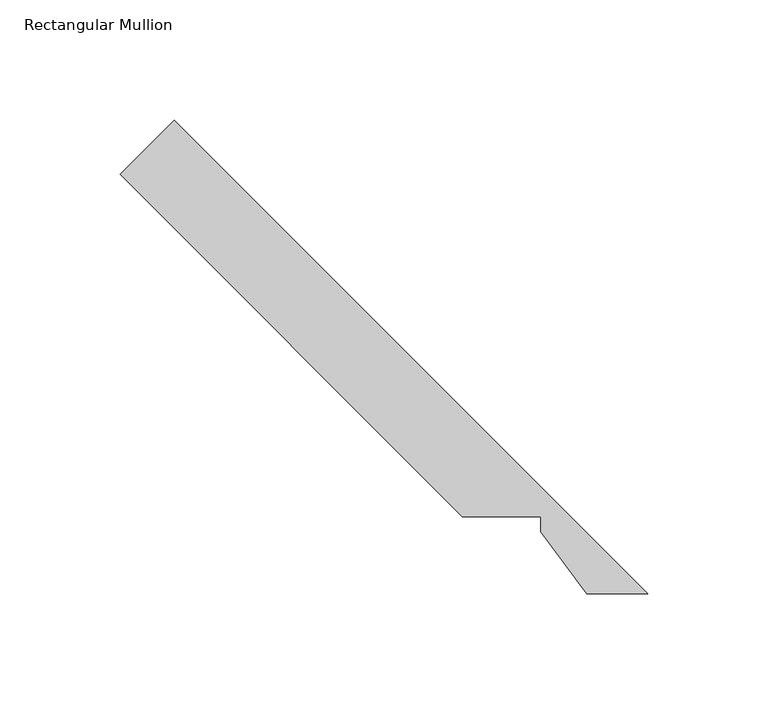
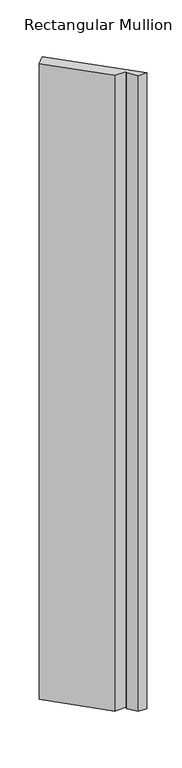
"""IFC4 building model written with IfcOpenShell, lengths in millimetres: member geometry, Rectangular Mullion."""

from ifc_helpers import new_model, si_unit, frame, origin, place, context, project, spatial, polyline, outline, extrude, source, transform, mapped, element, save


def rectangular_mullion_fd0ea162(model_context):
    return source(origin(), model_context, "Body", "SweptSolid", [
        extrude(outline(polyline([(-237.7497211, 192.8484405), (-215.2990808, 215.2990808), (-18.8048309, 18.8048309), (-44.0799324, 18.8048309), (-63.2548309, 44.4332829), (-63.2548309, 50.7832829), (-95.6897377, 50.7832829), (-237.7497211, 192.8484405)])), frame((0.0, 0.0, -1993.9), z_axis=(0.0, 0.0, 1.0), x_axis=(1.0, 0.0, 0.0)), (0.0, 0.0, 1.0), 1993.9),
    ])


if __name__ == "__main__":
    model = new_model("IFC4")
    model_context = context("Model", 3, world=origin())
    ifc_project = project(units=[si_unit("LENGTHUNIT", "METRE", prefix="MILLI")], contexts=[model_context])
    site = spatial("IfcSite", under=ifc_project)
    building = spatial("IfcBuilding", under=site)
    placement = place(None, origin())
    rectangular_mullion_shape = rectangular_mullion_fd0ea162(model_context)
    element("IfcMember", 1, ObjectType="Rectangular Mullion", at=placement, inside=building, context=model_context, shape_type="MappedRepresentation", body=[
        mapped(rectangular_mullion_shape, transform((0.0, 0.0, 0.0), x_axis=(1.0, 0.0, 0.0), y_axis=(0.0, 1.0, 0.0), z_axis=(0.0, 0.0, 1.0))),
    ])
    save(model, "model.ifc")
